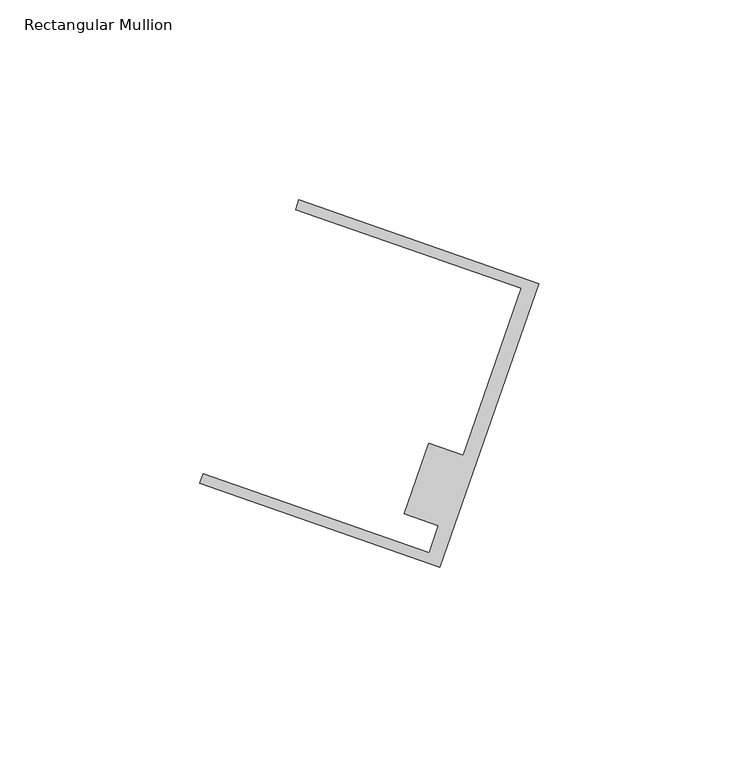
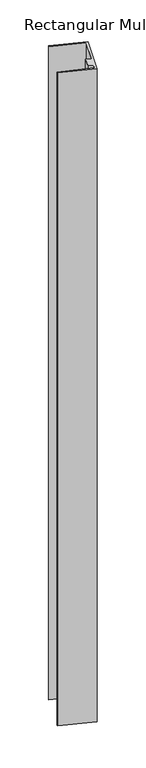
"""IFC4 building model written with IfcOpenShell, lengths in millimetres: member geometry, Rectangular Mullion."""

from ifc_helpers import new_model, si_unit, frame, origin, place, context, project, spatial, polyline, outline, extrude, source, transform, mapped, element, save


def rectangular_mullion_550034b9(model_context):
    return source(origin(), model_context, "Body", "SweptSolid", [
        extrude(outline(polyline([(-35.4545602, -27.7235024), (-95.404213, -6.7881464), (-94.5667988, -4.3901603), (-38.1182057, -24.1028915), (-35.7613192, -17.3538051), (-44.3703291, -14.3474043), (-38.2048278, 3.3078801), (-29.5958179, 0.3014793), (-15.0398605, 41.98334), (-71.4884536, 61.6960711), (-70.6510394, 64.0940573), (-10.7013866, 43.1587013), (-35.4545602, -27.7235024)])), frame((0.0, 0.0, -1248.156), z_axis=(0.0, 0.0, 1.0), x_axis=(1.0, 0.0, 0.0)), (0.0, 0.0, 1.0), 1248.156),
    ])


if __name__ == "__main__":
    model = new_model("IFC4")
    model_context = context("Model", 3, world=origin())
    ifc_project = project(units=[si_unit("LENGTHUNIT", "METRE", prefix="MILLI")], contexts=[model_context])
    site = spatial("IfcSite", under=ifc_project)
    building = spatial("IfcBuilding", under=site)
    placement = place(None, origin())
    rectangular_mullion_shape = rectangular_mullion_550034b9(model_context)
    element("IfcMember", 1, ObjectType="Rectangular Mullion", at=placement, inside=building, context=model_context, shape_type="MappedRepresentation", body=[
        mapped(rectangular_mullion_shape, transform((0.0, 0.0, 0.0), x_axis=(1.0, 0.0, 0.0), y_axis=(0.0, 1.0, 0.0), z_axis=(0.0, 0.0, 1.0))),
    ])
    save(model, "model.ifc")
